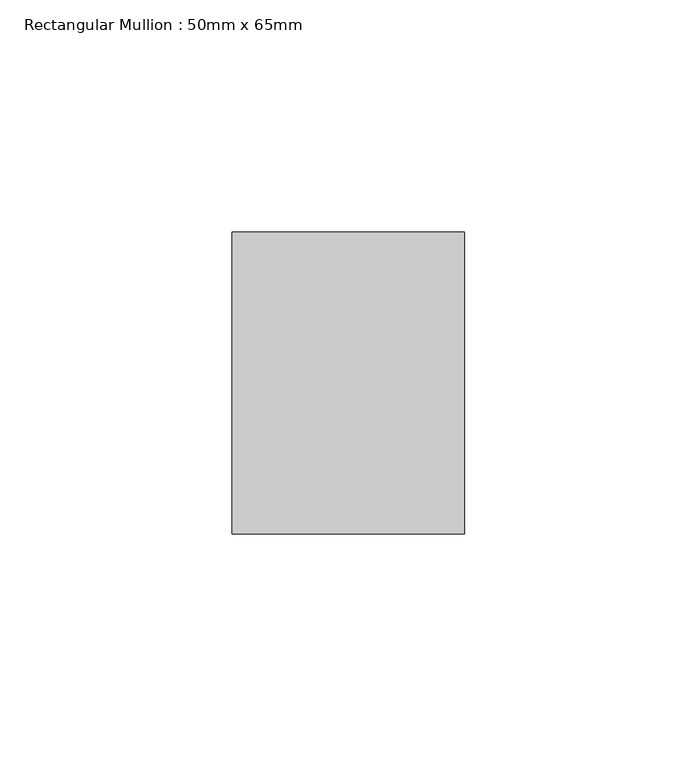
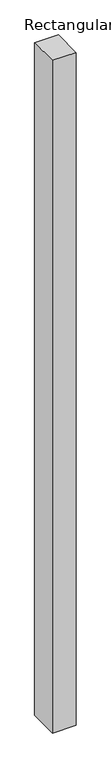
"""IFC4 building model written with IfcOpenShell, lengths in millimetres: member geometry, Rectangular Mullion : 50mm x 65mm."""

from ifc_helpers import new_model, si_unit, frame, origin, place, context, project, spatial, polyline, outline, extrude, source, transform, mapped, element, save


def rectangular_mullion_50mm_x_65mm_eb3d63b6(model_context):
    return source(origin(), model_context, "Body", "SweptSolid", [
        extrude(outline(polyline([(-32.5, 0.0980892), (32.5, -0.0980893), (32.5, -1499.8163655), (-32.5, -1500.1835107), (-32.5, 0.0980892)])), frame((-25.0, 0.0, 0.0), z_axis=(1.0, 0.0, 0.0), x_axis=(0.0, 1.0, 0.0)), (0.0, 0.0, 1.0), 50.0),
    ])


if __name__ == "__main__":
    model = new_model("IFC4")
    model_context = context("Model", 3, world=origin())
    ifc_project = project(units=[si_unit("LENGTHUNIT", "METRE", prefix="MILLI")], contexts=[model_context])
    site = spatial("IfcSite", under=ifc_project)
    building = spatial("IfcBuilding", under=site)
    placement = place(None, origin())
    rectangular_mullion_50mm_x_65mm_shape = rectangular_mullion_50mm_x_65mm_eb3d63b6(model_context)
    element("IfcMember", 1, ObjectType="Rectangular Mullion : 50mm x 65mm", at=placement, inside=building, context=model_context, shape_type="MappedRepresentation", body=[
        mapped(rectangular_mullion_50mm_x_65mm_shape, transform((0.0, 0.0, 0.0), x_axis=(1.0, 0.0, 0.0), y_axis=(0.0, 1.0, 0.0), z_axis=(0.0, 0.0, 1.0))),
    ])
    save(model, "model.ifc")
